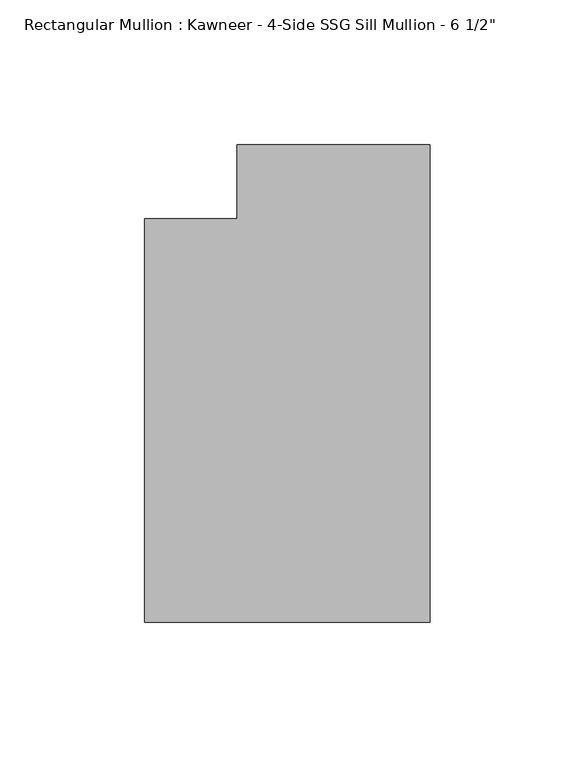
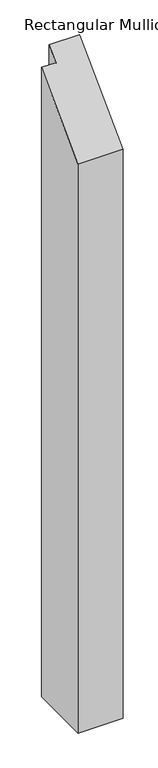
"""IFC4 building model written with IfcOpenShell, lengths in millimetres: member geometry."""

from ifc_helpers import new_model, si_unit, origin, place, context, project, spatial, faceted_brep, source, transform, mapped, element, save


def member_f7814d91(model_context):
    return source(origin(), model_context, "Body", "Brep", [
        faceted_brep([(0.0, -151.892, -1469.1796193), (-98.425, -151.892, -1469.1796193), (-98.425, -12.7, -1469.1796193), (-66.6751132, -12.7, -1469.1796193), (-66.6751132, 12.7, -1469.1796193), (0.0, 12.7, -1469.1796193), (0.0, 12.7, 12.7), (0.0, -151.892, -151.892), (-66.6751132, 12.7, 12.7), (-66.6751132, -12.7, -12.7), (-98.425, -12.7, -12.7), (-98.425, -151.892, -151.892)], [[[0, 1, 2, 3, 4, 5]], [[6, 7, 0, 5]], [[8, 6, 5, 4]], [[9, 8, 4, 3]], [[10, 9, 3, 2]], [[11, 10, 2, 1]], [[7, 11, 1, 0]], [[7, 6, 8, 9, 10, 11]]]),
    ])


if __name__ == "__main__":
    model = new_model("IFC4")
    model_context = context("Model", 3, world=origin())
    ifc_project = project(units=[si_unit("LENGTHUNIT", "METRE", prefix="MILLI")], contexts=[model_context])
    site = spatial("IfcSite", under=ifc_project)
    building = spatial("IfcBuilding", under=site)
    placement = place(None, origin())
    member_shape = member_f7814d91(model_context)
    element("IfcMember", 1, ObjectType="Rectangular Mullion : Kawneer - 4-Side SSG Sill Mullion - 6 1/2\"", at=placement, inside=building, context=model_context, shape_type="MappedRepresentation", body=[
        mapped(member_shape, transform((0.0, 0.0, 0.0), x_axis=(1.0, 0.0, 0.0), y_axis=(0.0, 1.0, 0.0), z_axis=(0.0, 0.0, 1.0))),
    ])
    save(model, "model.ifc")
